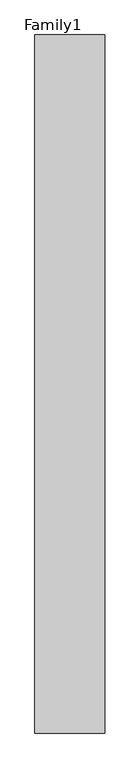
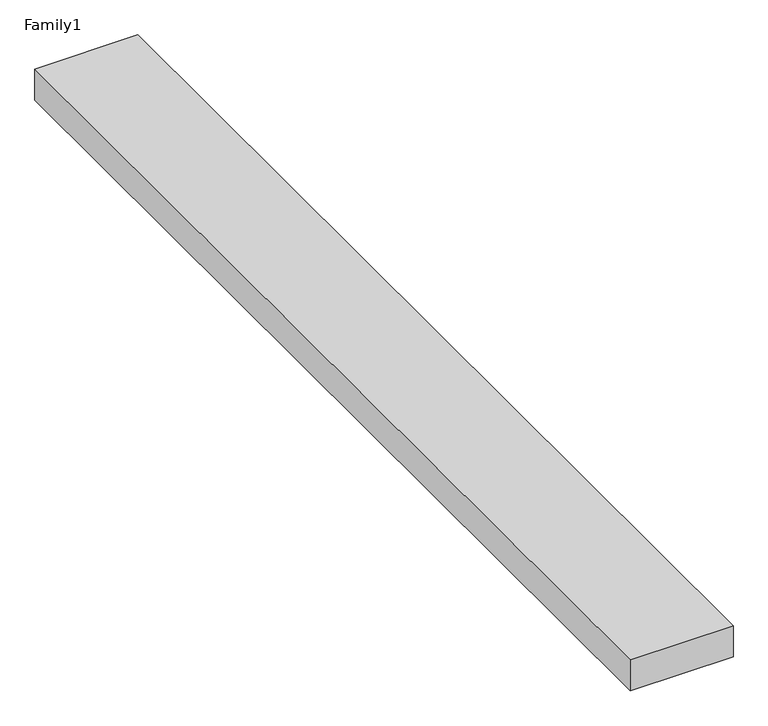
"""IFC4 building model written with IfcOpenShell, lengths in millimetres: proxy geometry, Family1."""

import ifcopenshell
import ifcopenshell.guid

model = None  # the IFC model being written
_history = None  # IfcOwnerHistory: only IFC2X3 demands one
_inside = {}  # id of a spatial element -> (the spatial element, [elements in it])
_under = {}  # id of a project, library or spatial element -> (it, [spatial elements below it])
_declared = {}  # id of a project -> (the project, [libraries it declares])
_typed = {}  # id of a type object -> (the type object, [elements of that type])
_made_of = {}  # id of a material, layer set ... -> (it, [elements and type objects made of it])


def new_model(schema):
    """Start an empty IFC model of exactly this schema.

    Asked for "IFC4X3", IfcOpenShell would pick the latest addendum, in which some entities
    have other attributes; the version numbers below select the first issue.
    IFC2X3 requires an IfcOwnerHistory on every rooted entity: one is made here for all.
    """
    global model, _history
    if schema == "IFC4X3":
        model = ifcopenshell.file(schema_version=(4, 3, 0, 0))
    else:
        model = ifcopenshell.file(schema=schema)
    _inside.clear()
    _under.clear()
    _declared.clear()
    _typed.clear()
    _made_of.clear()
    _history = None
    if model.schema == "IFC2X3":
        org = make("IfcOrganization", Name="unknown")
        user = make(
            "IfcPersonAndOrganization",
            ThePerson=make("IfcPerson", FamilyName="unknown"),
            TheOrganization=org,
        )
        app = make(
            "IfcApplication",
            ApplicationDeveloper=org,
            Version="unknown",
            ApplicationFullName="unknown",
            ApplicationIdentifier="unknown",
        )
        _history = make(
            "IfcOwnerHistory",
            OwningUser=user,
            OwningApplication=app,
            ChangeAction="ADDED",
            CreationDate=0,
        )
    return model


def make(cls, **values):
    """One entity of the class cls with the attributes given. An attribute that is None is left unset."""
    return model.create_entity(
        cls, **{name: value for name, value in values.items() if value is not None}
    )


def rooted(cls, **values):
    """An entity with a GlobalId (a new one), such as an element, a storey or a relation."""
    return make(cls, GlobalId=ifcopenshell.guid.new(), OwnerHistory=_history, **values)


def si_unit(unit_type, name, prefix=None):
    """IfcSIUnit, for example si_unit("LENGTHUNIT", "METRE", prefix="MILLI")."""
    return make("IfcSIUnit", UnitType=unit_type, Prefix=prefix, Name=name)


def assignment(units):
    """IfcUnitAssignment: the units of a project."""
    return None if units is None else make("IfcUnitAssignment", Units=units)


def point(xyz):
    """IfcCartesianPoint."""
    return None if xyz is None else make("IfcCartesianPoint", Coordinates=xyz)


def direction(xyz):
    """IfcDirection."""
    return None if xyz is None else make("IfcDirection", DirectionRatios=xyz)


def frame(location, z_axis=None, x_axis=None):
    """IfcAxis2Placement3D, a coordinate frame: its origin and axes. An axis left out is left unset."""
    return make(
        "IfcAxis2Placement3D",
        Location=point(location),
        Axis=direction(z_axis),
        RefDirection=direction(x_axis),
    )


def origin():
    """The frame at (0, 0, 0) with its axes left unset."""
    return frame((0.0, 0.0, 0.0))


def origin_with_axes():
    """The frame at (0, 0, 0) with the z axis (0, 0, 1) and the x axis (1, 0, 0) written out."""
    return frame((0.0, 0.0, 0.0), z_axis=(0.0, 0.0, 1.0), x_axis=(1.0, 0.0, 0.0))


def place(relative_to, where):
    """IfcLocalPlacement: puts the frame where relative to a parent placement (None: the world)."""
    return make(
        "IfcLocalPlacement", PlacementRelTo=relative_to, RelativePlacement=where
    )


def context(
    kind, dimensions, precision=None, world=None, true_north=None, identifier=None
):
    """IfcGeometricRepresentationContext, for example the 3D "Model" context."""
    return make(
        "IfcGeometricRepresentationContext",
        ContextIdentifier=identifier,
        ContextType=kind,
        CoordinateSpaceDimension=dimensions,
        Precision=precision,
        WorldCoordinateSystem=world,
        TrueNorth=true_north,
    )


def project(units=None, contexts=None):
    """IfcProject with its units and contexts."""
    return rooted(
        "IfcProject",
        Name="project",
        RepresentationContexts=contexts,
        UnitsInContext=assignment(units),
    )


def spatial(cls, under=None, at=None, **own):
    """A site, building, storey or space (cls), placed at a placement, below another one or the project."""
    s = rooted(cls, ObjectPlacement=at, **own)
    if under is not None:
        _under.setdefault(under.id(), (under, []))[1].append(s)
    return s


def polyline(points):
    """IfcPolyline through the points."""
    return make("IfcPolyline", Points=[point(p) for p in points])


def outline(outer, holes=None, kind="AREA"):
    """IfcArbitraryClosedProfileDef: a profile drawn as a closed curve; with holes, ...WithVoids."""
    if holes is None:
        return make("IfcArbitraryClosedProfileDef", ProfileType=kind, OuterCurve=outer)
    return make(
        "IfcArbitraryProfileDefWithVoids",
        ProfileType=kind,
        OuterCurve=outer,
        InnerCurves=holes,
    )


def extrude(swept, where, along, depth):
    """IfcExtrudedAreaSolid: the profile swept, set in the frame where, extruded along a direction by depth."""
    return make(
        "IfcExtrudedAreaSolid",
        SweptArea=swept,
        Position=where,
        ExtrudedDirection=direction(along),
        Depth=depth,
    )


def shape(context_of_items, identifier, shape_type, items):
    """IfcShapeRepresentation: the items that make up one representation, for example the "Body"."""
    return make(
        "IfcShapeRepresentation",
        ContextOfItems=context_of_items,
        RepresentationIdentifier=identifier,
        RepresentationType=shape_type,
        Items=items,
    )


def source(mapping_origin, context_of_items, identifier, shape_type, items):
    """IfcRepresentationMap: a shape defined once, which mapped items show again and again."""
    return make(
        "IfcRepresentationMap",
        MappingOrigin=mapping_origin,
        MappedRepresentation=shape(context_of_items, identifier, shape_type, items),
    )


def transform(
    local_origin,
    x_axis=None,
    y_axis=None,
    z_axis=None,
    scale=None,
    scale2=None,
    scale3=None,
    uniform=True,
):
    """IfcCartesianTransformationOperator3D, or its non-uniform kind. x_axis, y_axis, z_axis: its Axis1, 2, 3."""
    if uniform:
        return make(
            "IfcCartesianTransformationOperator3D",
            Axis1=direction(x_axis),
            Axis2=direction(y_axis),
            LocalOrigin=point(local_origin),
            Scale=scale,
            Axis3=direction(z_axis),
        )
    return make(
        "IfcCartesianTransformationOperator3DnonUniform",
        Axis1=direction(x_axis),
        Axis2=direction(y_axis),
        LocalOrigin=point(local_origin),
        Scale=scale,
        Axis3=direction(z_axis),
        Scale2=scale2,
        Scale3=scale3,
    )


def mapped(mapping_source, mapping_target):
    """IfcMappedItem: shows the shape of a source again, moved by a transform."""
    return make(
        "IfcMappedItem", MappingSource=mapping_source, MappingTarget=mapping_target
    )


def made_of(thing, what):
    """Note that an element or type object is made of a material, layer set ...; save() writes the relation."""
    if what is not None:
        _made_of.setdefault(what.id(), (what, []))[1].append(thing)
    return thing


def element(
    cls,
    number,
    at=None,
    inside=None,
    cuts=None,
    type_object=None,
    material=None,
    context=None,
    identifier="Body",
    shape_type=None,
    held_by="IfcProductDefinitionShape",
    body=None,
    shapes=None,
    **own,
):
    """One element of the class cls, such as IfcWall. Its Tag is "e" and its number.

    at: its placement. inside: the storey or other place that contains it. cuts: it is an
    opening in that element (IfcRelVoidsElement). A single representation is given by context,
    identifier, shape_type and body (its items); several are given by shapes. held_by: the class
    of the entity that holds the representations. save() writes the other relations.
    """
    e = rooted(cls, Tag="e%d" % number, ObjectPlacement=at, **own)
    if body is not None:
        shapes = [shape(context, identifier, shape_type, body)]
    if shapes is not None:
        e.Representation = make(held_by, Representations=shapes)
    if inside is not None:
        _inside.setdefault(inside.id(), (inside, []))[1].append(e)
    if cuts is not None:
        rooted(
            "IfcRelVoidsElement", RelatingBuildingElement=cuts, RelatedOpeningElement=e
        )
    if type_object is not None:
        _typed.setdefault(type_object.id(), (type_object, []))[1].append(e)
    return made_of(e, material)


def aggregate(whole, parts):
    """IfcRelAggregates: a whole, such as a stair, and the parts it consists of."""
    return rooted("IfcRelAggregates", RelatingObject=whole, RelatedObjects=parts)


def save(model, path):
    """Write the relations noted so far, then the file.

    IfcRelAggregates (storeys below a building ...), IfcRelContainedInSpatialStructure (elements
    in a storey), IfcRelDefinesByType, IfcRelAssociatesMaterial and IfcRelDeclares: one each for
    every whole, place, type object, material and project.
    """
    for whole, parts in _under.values():
        aggregate(whole, parts)
    for where, things in _inside.values():
        rooted(
            "IfcRelContainedInSpatialStructure",
            RelatedElements=things,
            RelatingStructure=where,
        )
    for kind, things in _typed.values():
        rooted("IfcRelDefinesByType", RelatedObjects=things, RelatingType=kind)
    for what, things in _made_of.values():
        rooted("IfcRelAssociatesMaterial", RelatedObjects=things, RelatingMaterial=what)
    for by, libraries in _declared.values():
        rooted("IfcRelDeclares", RelatingContext=by, RelatedDefinitions=libraries)
    model.write(path)


def family1_58bce414(model_context):
    return source(origin(), model_context, "Body", "SweptSolid", [
        extrude(outline(polyline([(5000.0, 0.0), (0.0, 0.0), (0.0, 50000.0), (5000.0, 50000.0), (5000.0, 0.0)])), origin_with_axes(), (0.0, 0.0, 1.0), 1598.0),
    ])


if __name__ == "__main__":
    model = new_model("IFC4")
    model_context = context("Model", 3, world=origin())
    ifc_project = project(units=[si_unit("LENGTHUNIT", "METRE", prefix="MILLI")], contexts=[model_context])
    site = spatial("IfcSite", under=ifc_project)
    building = spatial("IfcBuilding", under=site)
    placement = place(None, origin())
    family1_shape = family1_58bce414(model_context)
    element("IfcBuildingElementProxy", 1, Name="Family1", ObjectType="Family1", at=placement, inside=building, context=model_context, shape_type="MappedRepresentation", body=[
        mapped(family1_shape, transform((0.0, 0.0, 0.0), x_axis=(1.0, 0.0, 0.0), y_axis=(0.0, 1.0, 0.0), z_axis=(0.0, 0.0, 1.0))),
    ])
    save(model, "model.ifc")
